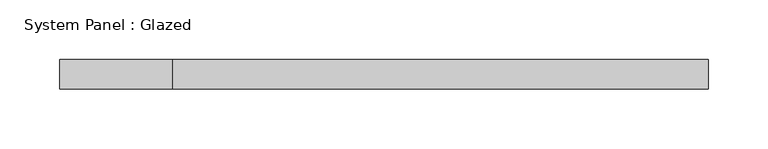
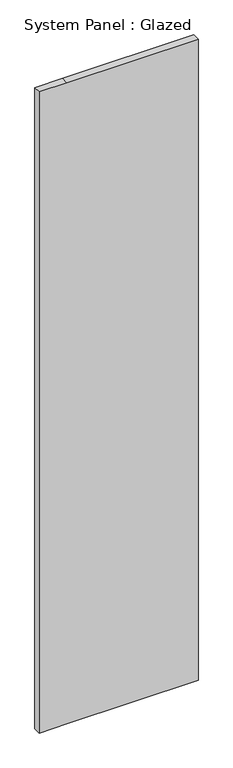
"""IFC4 building model written with IfcOpenShell, lengths in millimetres: plate geometry, System Panel : Glazed."""

from ifc_helpers import new_model, si_unit, frame, origin, place, context, project, spatial, polyline, outline, extrude, source, transform, mapped, element, save


def system_panel_glazed_a0baa690(model_context):
    return source(origin(), model_context, "Body", "SweptSolid", [
        extrude(outline(polyline([(0.0, -272.5122133), (0.0, -177.4877867), (0.0, 272.5122133), (2325.0, 272.5122133), (2325.0, -177.4877867), (2325.0, -272.5122133), (0.0, -272.5122133)])), frame((0.0, 24.5, 0.0), z_axis=(0.0, 1.0, 0.0), x_axis=(0.0, 0.0, 1.0)), (0.0, 0.0, 1.0), 25.0),
    ])


if __name__ == "__main__":
    model = new_model("IFC4")
    model_context = context("Model", 3, world=origin())
    ifc_project = project(units=[si_unit("LENGTHUNIT", "METRE", prefix="MILLI")], contexts=[model_context])
    site = spatial("IfcSite", under=ifc_project)
    building = spatial("IfcBuilding", under=site)
    placement = place(None, origin())
    system_panel_glazed_shape = system_panel_glazed_a0baa690(model_context)
    element("IfcPlate", 1, ObjectType="System Panel : Glazed", at=placement, inside=building, context=model_context, shape_type="MappedRepresentation", body=[
        mapped(system_panel_glazed_shape, transform((0.0, 0.0, 0.0), x_axis=(1.0, 0.0, 0.0), y_axis=(0.0, 1.0, 0.0), z_axis=(0.0, 0.0, 1.0))),
    ])
    save(model, "model.ifc")
